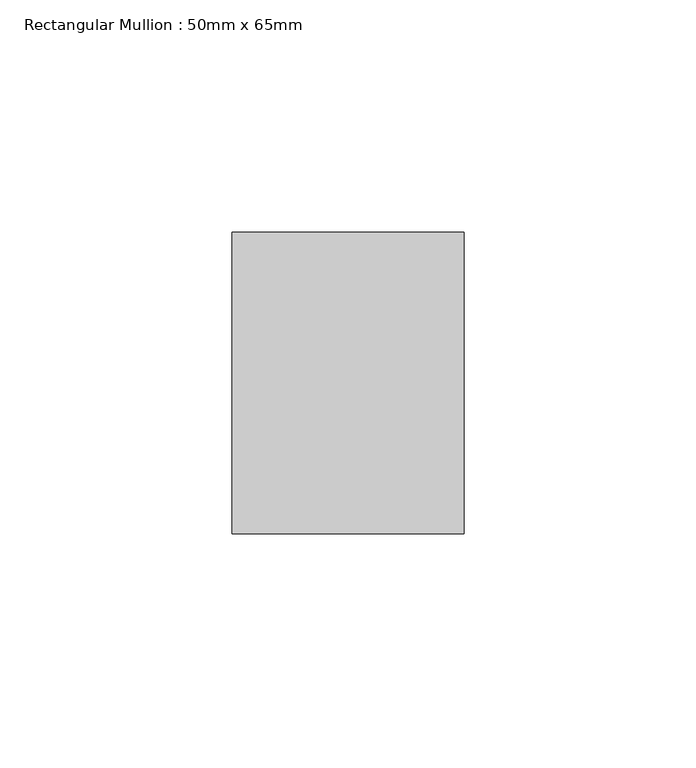
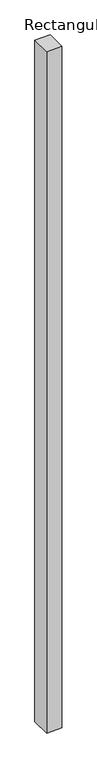
"""IFC4 building model written with IfcOpenShell, lengths in millimetres: member geometry, Rectangular Mullion : 50mm x 65mm."""

from ifc_helpers import new_model, si_unit, frame, origin, place, context, project, spatial, polyline, outline, extrude, source, transform, mapped, element, save


def rectangular_mullion_50mm_x_65mm_d9800c5c(model_context):
    return source(origin(), model_context, "Body", "SweptSolid", [
        extrude(outline(polyline([(25.0, 32.5), (25.0, -32.5), (-25.0, -32.5), (-25.0, 32.5), (25.0, 32.5)])), frame((0.0, 0.0, -2332.1770988), z_axis=(0.0, 0.0, 1.0), x_axis=(1.0, 0.0, 0.0)), (0.0, 0.0, 1.0), 2332.1770988),
    ])


if __name__ == "__main__":
    model = new_model("IFC4")
    model_context = context("Model", 3, world=origin())
    ifc_project = project(units=[si_unit("LENGTHUNIT", "METRE", prefix="MILLI")], contexts=[model_context])
    site = spatial("IfcSite", under=ifc_project)
    building = spatial("IfcBuilding", under=site)
    placement = place(None, origin())
    rectangular_mullion_50mm_x_65mm_shape = rectangular_mullion_50mm_x_65mm_d9800c5c(model_context)
    element("IfcMember", 1, ObjectType="Rectangular Mullion : 50mm x 65mm", at=placement, inside=building, context=model_context, shape_type="MappedRepresentation", body=[
        mapped(rectangular_mullion_50mm_x_65mm_shape, transform((0.0, 0.0, 0.0), x_axis=(1.0, 0.0, 0.0), y_axis=(0.0, 1.0, 0.0), z_axis=(0.0, 0.0, 1.0))),
    ])
    save(model, "model.ifc")
